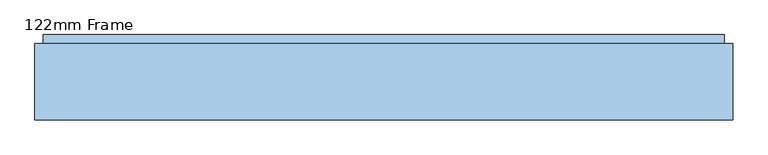
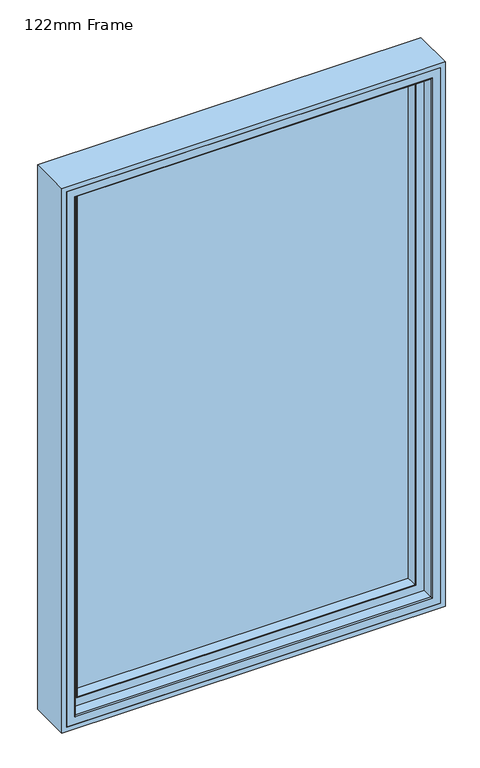
"""IFC4 building model written with IfcOpenShell, lengths in millimetres: window geometry, 122mm Frame."""

from ifc_helpers import new_model, si_unit, frame, origin, place, context, project, spatial, polyline, ellipse_curve, outline, extrude, source, transform, mapped, element, save
from ifc_brep_helpers import plane_surface, cylinder_surface, advanced_brep


def window_122mm_frame_6279ebd8(model_context):
    return source(origin(), model_context, "Body", "SolidModel", [
        extrude(outline(polyline([(2300.0, -500.0), (800.0, -500.0), (800.0, 500.0), (2300.0, 500.0), (2300.0, -500.0)]), holes=[polyline([(2288.0, 488.0), (812.0, 488.0), (812.0, -488.0), (2288.0, -488.0), (2288.0, 488.0)])]), frame((0.0, 32.0, 0.0), z_axis=(0.0, 1.0, 0.0), x_axis=(0.0, 0.0, 1.0)), (0.0, 0.0, 1.0), 109.0),
        extrude(outline(polyline([(-452.6, 141.0), (452.6, 141.0), (452.6, 93.0), (-452.6, 93.0), (-452.6, 141.0)])), frame((0.0, 0.0, 847.4), z_axis=(0.0, 0.0, 1.0), x_axis=(1.0, 0.0, 0.0)), (0.0, 0.0, 1.0), 1405.2),
        advanced_brep(
        [(-437.8697056, 91.0, 2237.8697056), (-440.9078547, 66.2562613, 2240.9078547), (-440.9078547, 66.2562613, 859.0921453), (-437.8697056, 91.0, 862.1302944), (-442.892947, 64.5, 2242.892947), (-442.892947, 64.5, 857.107053), (440.9078547, 66.2562613, 859.0921453), (437.8697056, 91.0, 862.1302944), (-461.5, 91.0, 2261.5), (461.5, 91.0, 2261.5), (461.5, 91.0, 838.5), (-461.5, 91.0, 838.5), (437.8697056, 91.0, 2237.8697056), (-461.5, 82.0, 2261.5), (-461.5, 82.0, 838.5), (461.5, 82.0, 838.5), (-464.0, 82.0, 2264.0), (464.0, 82.0, 2264.0), (464.0, 82.0, 836.0), (-464.0, 82.0, 836.0), (461.5, 82.0, 2261.5), (-464.0, 64.5, 2264.0), (-464.0, 64.5, 836.0), (464.0, 64.5, 836.0), (464.0, 64.5, 2264.0), (442.892947, 64.5, 2242.892947), (442.892947, 64.5, 857.107053), (440.9078547, 66.2562613, 2240.9078547)],
        [
            (0, 1),
            (1, 2),
            (2, 3),
            (3, 0),
            (1, 4, ellipse_curve(frame((-442.892947, 66.5, 2242.892947), z_axis=(-0.7071067811865475, 0.0, -0.7071067811865475), x_axis=(-0.7071067811865474, 0.0, 0.7071067811865476)), 2.8284271, 2.0)),
            (4, 5),
            (5, 2, ellipse_curve(frame((-442.892947, 66.5, 857.107053), z_axis=(-0.7071067811865475, 0.0, 0.7071067811865475), x_axis=(0.7071067811865474, 0.0, 0.7071067811865476)), 2.8284271, 2.0)),
            (2, 6),
            (6, 7),
            (7, 3),
            (8, 9),
            (9, 10),
            (10, 11),
            (11, 8),
            (7, 12),
            (12, 0),
            (13, 8),
            (11, 14),
            (14, 13),
            (10, 15),
            (15, 14),
            (16, 17),
            (17, 18),
            (18, 19),
            (19, 16),
            (15, 20),
            (20, 13),
            (21, 16),
            (19, 22),
            (22, 21),
            (18, 23),
            (23, 22),
            (23, 24),
            (24, 21),
            (4, 25),
            (25, 26),
            (26, 5),
            (26, 6, ellipse_curve(frame((442.892947, 66.5, 857.107053), z_axis=(-0.7071067811865475, 0.0, -0.7071067811865475), x_axis=(-0.7071067811865476, 0.0, 0.7071067811865474)), 2.8284271, 2.0)),
            (6, 27),
            (27, 12),
            (9, 20),
            (17, 24),
            (25, 27, ellipse_curve(frame((442.892947, 66.5, 2242.892947), z_axis=(0.7071067811865475, 0.0, -0.7071067811865475), x_axis=(-0.7071067811865474, 0.0, -0.7071067811865476)), 2.8284271, 2.0)),
            (27, 1),
        ],
        [
            plane_surface(frame((-440.9078547, 66.2562613, 2240.9078547), z_axis=(0.9925461516413219, -0.12186934340514886, 0.0), x_axis=(0.0, 0.0, -1.0))),
            cylinder_surface(frame((-442.892947, 66.5, 2237.6), z_axis=(0.0, 0.0, 1.0), x_axis=(0.0, 1.0, 0.0)), 2.0),
            plane_surface(frame((-440.9078547, 66.2562613, 859.0921453), z_axis=(0.0, -0.12186934340514886, 0.9925461516413219), x_axis=(1.0, 0.0, 0.0))),
            plane_surface(frame((437.8697056, 91.0, 2237.8697056), z_axis=(0.0, 1.0, 0.0), x_axis=(-1.0, 0.0, 0.0))),
            plane_surface(frame((-461.5, 91.0, 2261.5), z_axis=(-1.0, 0.0, 0.0), x_axis=(0.0, 0.0, -1.0))),
            plane_surface(frame((-461.5, 91.0, 838.5), z_axis=(0.0, 0.0, -1.0), x_axis=(1.0, 0.0, 0.0))),
            plane_surface(frame((461.5, 82.0, 2261.5), z_axis=(0.0, 1.0, 0.0), x_axis=(-1.0, 0.0, 0.0))),
            plane_surface(frame((-464.0, 82.0, 2264.0), z_axis=(-1.0, 0.0, 0.0), x_axis=(0.0, 0.0, -1.0))),
            plane_surface(frame((-464.0, 82.0, 836.0), z_axis=(0.0, 0.0, -1.0), x_axis=(1.0, 0.0, 0.0))),
            plane_surface(frame((464.0, 64.5, 2264.0), z_axis=(0.0, -1.0, 0.0), x_axis=(-1.0, 0.0, 0.0))),
            cylinder_surface(frame((-437.6, 66.5, 857.107053), z_axis=(-1.0, 0.0, 0.0), x_axis=(0.0, 1.0, 0.0)), 2.0),
            plane_surface(frame((440.9078547, 66.2562613, 859.0921453), z_axis=(-0.9925461516413219, -0.12186934340514886, 0.0), x_axis=(0.0, 0.0, 1.0))),
            plane_surface(frame((461.5, 91.0, 838.5), z_axis=(1.0, 0.0, 0.0), x_axis=(0.0, 0.0, 1.0))),
            plane_surface(frame((464.0, 82.0, 836.0), z_axis=(1.0, 0.0, 0.0), x_axis=(0.0, 0.0, 1.0))),
            cylinder_surface(frame((442.892947, 66.5, 862.4), z_axis=(0.0, 0.0, -1.0), x_axis=(0.0, 1.0, 0.0)), 2.0),
            plane_surface(frame((440.9078547, 66.2562613, 2240.9078547), z_axis=(0.0, -0.12186934340514886, -0.9925461516413219), x_axis=(-1.0, 0.0, 0.0))),
            plane_surface(frame((461.5, 91.0, 2261.5), z_axis=(0.0, 0.0, 1.0), x_axis=(-1.0, 0.0, 0.0))),
            plane_surface(frame((464.0, 82.0, 2264.0), z_axis=(0.0, 0.0, 1.0), x_axis=(-1.0, 0.0, 0.0))),
            cylinder_surface(frame((437.6, 66.5, 2242.892947), z_axis=(1.0, 0.0, 0.0), x_axis=(0.0, 1.0, 0.0)), 2.0),
        ],
        [
            (0, [[1, 2, 3, 4]]),
            (1, [[5, 6, 7, -2]]),
            (2, [[-3, 8, 9, 10]]),
            (3, [[11, 12, 13, 14], [-10, 15, 16, -4]]),
            (4, [[17, -14, 18, 19]]),
            (5, [[-18, -13, 20, 21]]),
            (6, [[22, 23, 24, 25], [-21, 26, 27, -19]]),
            (7, [[28, -25, 29, 30]]),
            (8, [[-29, -24, 31, 32]]),
            (9, [[-32, 33, 34, -30], [35, 36, 37, -6]]),
            (10, [[-7, -37, 38, -8]]),
            (11, [[-9, 39, 40, -15]]),
            (12, [[-20, -12, 41, -26]]),
            (13, [[-31, -23, 42, -33]]),
            (14, [[-38, -36, 43, -39]]),
            (15, [[-40, 44, -1, -16]]),
            (16, [[-41, -11, -17, -27]]),
            (17, [[-42, -22, -28, -34]]),
            (18, [[-43, -35, -5, -44]]),
        ],
    ),
        advanced_brep(
        [(-464.0, 83.0, 2264.0), (-464.0, 35.0, 2264.0), (-464.0, 35.0, 836.0), (-464.0, 83.0, 836.0), (-467.0, 32.0, 2267.0), (-467.0, 32.0, 833.0), (464.0, 35.0, 836.0), (464.0, 83.0, 836.0), (464.0, 83.0, 2264.0), (-462.0, 83.0, 2262.0), (462.0, 83.0, 2262.0), (462.0, 83.0, 838.0), (-462.0, 83.0, 838.0), (-462.0, 91.0, 2262.0), (-462.0, 91.0, 838.0), (462.0, 91.0, 838.0), (462.0, 91.0, 2262.0), (-455.7805994, 91.0, 2255.7805994), (455.7805994, 91.0, 2255.7805994), (455.7805994, 91.0, 844.2194006), (-455.7805994, 91.0, 844.2194006), (-438.0131086, 143.3877115, 2238.0131086), (-438.0131086, 142.0, 2238.0131086), (-438.0131086, 142.0, 861.9868914), (-438.0131086, 143.3877115, 861.9868914), (-462.2226568, 142.0, 837.7773432), (462.2226568, 142.0, 837.7773432), (462.2226568, 142.0, 2262.2226568), (-462.2226568, 142.0, 2262.2226568), (438.0131086, 142.0, 2238.0131086), (438.0131086, 142.0, 861.9868914), (438.0131086, 143.3877115, 861.9868914), (-441.2576108, 154.0, 2241.2576108), (-441.2576108, 154.0, 858.7423892), (441.2576108, 154.0, 858.7423892), (-488.0, 154.0, 2288.0), (488.0, 154.0, 2288.0), (488.0, 154.0, 812.0), (-488.0, 154.0, 812.0), (441.2576108, 154.0, 2241.2576108), (-488.0, 90.5, 2288.0), (-488.0, 90.5, 812.0), (488.0, 90.5, 812.0), (488.0, 90.5, 2288.0), (-481.0, 90.5, 2281.0), (481.0, 90.5, 2281.0), (481.0, 90.5, 819.0), (-481.0, 90.5, 819.0), (467.0, 32.0, 833.0), (464.0, 35.0, 2264.0), (438.0131086, 143.3877115, 2238.0131086), (467.0, 32.0, 2267.0), (-488.0, 32.0, 812.0), (488.0, 32.0, 812.0), (488.0, 32.0, 2288.0), (-488.0, 32.0, 2288.0), (-488.0, 86.5, 812.0), (488.0, 86.5, 812.0), (488.0, 86.5, 2288.0), (-488.0, 86.5, 2288.0), (-481.0, 86.5, 2281.0), (-481.0, 86.5, 819.0), (481.0, 86.5, 819.0), (481.0, 86.5, 2281.0)],
        [
            (0, 1),
            (1, 2),
            (2, 3),
            (3, 0),
            (1, 4, ellipse_curve(frame((-467.0, 35.0, 2267.0), z_axis=(-0.7071067811865475, 0.0, -0.7071067811865475), x_axis=(-0.7071067811865474, 0.0, 0.7071067811865476)), 4.2426407, 3.0)),
            (4, 5),
            (5, 2, ellipse_curve(frame((-467.0, 35.0, 833.0), z_axis=(-0.7071067811865475, 0.0, 0.7071067811865475), x_axis=(0.7071067811865474, 0.0, 0.7071067811865476)), 4.2426407, 3.0)),
            (2, 6),
            (6, 7),
            (7, 3),
            (7, 8),
            (8, 0),
            (9, 10),
            (10, 11),
            (11, 12),
            (12, 9),
            (13, 9),
            (12, 14),
            (14, 13),
            (11, 15),
            (15, 14),
            (15, 16),
            (16, 13),
            (17, 18),
            (18, 19),
            (19, 20),
            (20, 17),
            (21, 22),
            (22, 23),
            (23, 24),
            (24, 21),
            (25, 26),
            (26, 27),
            (27, 28),
            (28, 25),
            (22, 29),
            (29, 30),
            (30, 23),
            (30, 31),
            (31, 24),
            (32, 21),
            (24, 33),
            (33, 32),
            (31, 34),
            (34, 33),
            (35, 36),
            (36, 37),
            (37, 38),
            (38, 35),
            (34, 39),
            (39, 32),
            (40, 35),
            (38, 41),
            (41, 40),
            (37, 42),
            (42, 41),
            (42, 43),
            (43, 40),
            (44, 45),
            (45, 46),
            (46, 47),
            (47, 44),
            (5, 48),
            (48, 6, ellipse_curve(frame((467.0, 35.0, 833.0), z_axis=(-0.7071067811865475, 0.0, -0.7071067811865475), x_axis=(-0.7071067811865476, 0.0, 0.7071067811865474)), 4.2426407, 3.0)),
            (6, 49),
            (49, 8),
            (10, 16),
            (29, 50),
            (50, 31),
            (50, 39),
            (36, 43),
            (48, 51),
            (51, 49, ellipse_curve(frame((467.0, 35.0, 2267.0), z_axis=(0.7071067811865475, 0.0, -0.7071067811865475), x_axis=(-0.7071067811865474, 0.0, -0.7071067811865476)), 4.2426407, 3.0)),
            (25, 20),
            (19, 26),
            (18, 27),
            (28, 17),
            (52, 53),
            (53, 54),
            (54, 55),
            (55, 52),
            (4, 51),
            (52, 56),
            (56, 57),
            (57, 53),
            (57, 58),
            (58, 54),
            (55, 59),
            (59, 56),
            (60, 44),
            (47, 61),
            (61, 60),
            (46, 62),
            (62, 61),
            (59, 58),
            (62, 63),
            (63, 60),
            (45, 63),
            (49, 1),
            (21, 50),
        ],
        [
            plane_surface(frame((-464.0, 35.0, 2264.0), z_axis=(1.0, 0.0, 0.0), x_axis=(0.0, 0.0, -1.0))),
            cylinder_surface(frame((-467.0, 35.0, 2288.0), z_axis=(0.0, 0.0, 1.0), x_axis=(0.0, 1.0, 0.0)), 3.0),
            plane_surface(frame((-464.0, 35.0, 836.0), z_axis=(0.0, 0.0, 1.0), x_axis=(1.0, 0.0, 0.0))),
            plane_surface(frame((464.0, 83.0, 2264.0), z_axis=(0.0, -1.0, 0.0), x_axis=(-1.0, 0.0, 0.0))),
            plane_surface(frame((-462.0, 83.0, 2262.0), z_axis=(1.0, 0.0, 0.0), x_axis=(0.0, 0.0, -1.0))),
            plane_surface(frame((-462.0, 83.0, 838.0), z_axis=(0.0, 0.0, 1.0), x_axis=(1.0, 0.0, 0.0))),
            plane_surface(frame((462.0, 91.0, 2262.0), z_axis=(0.0, -1.0, 0.0), x_axis=(-1.0, 0.0, 0.0))),
            plane_surface(frame((-438.0131086, 142.0, 2238.0131086), z_axis=(1.0, 0.0, 0.0), x_axis=(0.0, 0.0, -1.0))),
            plane_surface(frame((462.2226568, 142.0, 2262.2226568), z_axis=(0.0, -1.0, 0.0), x_axis=(-1.0, 0.0, 0.0))),
            plane_surface(frame((-438.0131086, 142.0, 861.9868914), z_axis=(0.0, 0.0, 1.0), x_axis=(1.0, 0.0, 0.0))),
            plane_surface(frame((-438.0131086, 143.3877115, 2238.0131086), z_axis=(0.9563047559629344, 0.29237170472306745, 0.0), x_axis=(0.0, 0.0, -1.0))),
            plane_surface(frame((-438.0131086, 143.3877115, 861.9868914), z_axis=(0.0, 0.29237170472306745, 0.9563047559629344), x_axis=(1.0, 0.0, 0.0))),
            plane_surface(frame((441.2576108, 154.0, 2241.2576108), z_axis=(0.0, 1.0, 0.0), x_axis=(-1.0, 0.0, 0.0))),
            plane_surface(frame((-488.0, 154.0, 2288.0), z_axis=(-1.0, 0.0, 0.0), x_axis=(0.0, 0.0, -1.0))),
            plane_surface(frame((-488.0, 154.0, 812.0), z_axis=(0.0, 0.0, -1.0), x_axis=(1.0, 0.0, 0.0))),
            plane_surface(frame((488.0, 90.5, 2288.0), z_axis=(0.0, -1.0, 0.0), x_axis=(-1.0, 0.0, 0.0))),
            cylinder_surface(frame((-488.0, 35.0, 833.0), z_axis=(-1.0, 0.0, 0.0), x_axis=(0.0, 1.0, 0.0)), 3.0),
            plane_surface(frame((464.0, 35.0, 836.0), z_axis=(-1.0, 0.0, 0.0), x_axis=(0.0, 0.0, 1.0))),
            plane_surface(frame((462.0, 83.0, 838.0), z_axis=(-1.0, 0.0, 0.0), x_axis=(0.0, 0.0, 1.0))),
            plane_surface(frame((438.0131086, 142.0, 861.9868914), z_axis=(-1.0, 0.0, 0.0), x_axis=(0.0, 0.0, 1.0))),
            plane_surface(frame((438.0131086, 143.3877115, 861.9868914), z_axis=(-0.9563047559629344, 0.29237170472306745, 0.0), x_axis=(0.0, 0.0, 1.0))),
            plane_surface(frame((488.0, 154.0, 812.0), z_axis=(1.0, 0.0, 0.0), x_axis=(0.0, 0.0, 1.0))),
            cylinder_surface(frame((467.0, 35.0, 812.0), z_axis=(0.0, 0.0, -1.0), x_axis=(0.0, 1.0, 0.0)), 3.0),
            plane_surface(frame((-455.7805994, 91.0, 844.2194006), z_axis=(0.0, 0.1253190461918588, 0.9921164934933613), x_axis=(1.0, 0.0, 0.0))),
            plane_surface(frame((455.7805994, 91.0, 844.2194006), z_axis=(-0.9921164934933613, 0.1253190461918588, 0.0), x_axis=(0.0, 0.0, 1.0))),
            plane_surface(frame((-455.7805994, 91.0, 2255.7805994), z_axis=(0.9921164934933613, 0.1253190461918588, 0.0), x_axis=(0.0, 0.0, -1.0))),
            plane_surface(frame((488.0, 32.0, 2288.0), z_axis=(0.0, -1.0, 0.0), x_axis=(-1.0, 0.0, 0.0))),
            plane_surface(frame((-488.0, 86.5, 812.0), z_axis=(0.0, 0.0, -1.0), x_axis=(1.0, 0.0, 0.0))),
            plane_surface(frame((488.0, 86.5, 812.0), z_axis=(1.0, 0.0, 0.0), x_axis=(0.0, 0.0, 1.0))),
            plane_surface(frame((-488.0, 86.5, 2288.0), z_axis=(-1.0, 0.0, 0.0), x_axis=(0.0, 0.0, -1.0))),
            plane_surface(frame((-481.0, 90.5, 2281.0), z_axis=(-1.0, 0.0, 0.0), x_axis=(0.0, 0.0, -1.0))),
            plane_surface(frame((-481.0, 90.5, 819.0), z_axis=(0.0, 0.0, -1.0), x_axis=(1.0, 0.0, 0.0))),
            plane_surface(frame((481.0, 86.5, 2281.0), z_axis=(0.0, 1.0, 0.0), x_axis=(-1.0, 0.0, 0.0))),
            plane_surface(frame((481.0, 90.5, 819.0), z_axis=(1.0, 0.0, 0.0), x_axis=(0.0, 0.0, 1.0))),
            plane_surface(frame((464.0, 35.0, 2264.0), z_axis=(0.0, 0.0, -1.0), x_axis=(-1.0, 0.0, 0.0))),
            plane_surface(frame((462.0, 83.0, 2262.0), z_axis=(0.0, 0.0, -1.0), x_axis=(-1.0, 0.0, 0.0))),
            plane_surface(frame((438.0131086, 142.0, 2238.0131086), z_axis=(0.0, 0.0, -1.0), x_axis=(-1.0, 0.0, 0.0))),
            plane_surface(frame((438.0131086, 143.3877115, 2238.0131086), z_axis=(0.0, 0.29237170472306745, -0.9563047559629344), x_axis=(-1.0, 0.0, 0.0))),
            plane_surface(frame((488.0, 154.0, 2288.0), z_axis=(0.0, 0.0, 1.0), x_axis=(-1.0, 0.0, 0.0))),
            cylinder_surface(frame((488.0, 35.0, 2267.0), z_axis=(1.0, 0.0, 0.0), x_axis=(0.0, 1.0, 0.0)), 3.0),
            plane_surface(frame((481.0, 90.5, 2281.0), z_axis=(0.0, 0.0, 1.0), x_axis=(-1.0, 0.0, 0.0))),
            plane_surface(frame((488.0, 86.5, 2288.0), z_axis=(0.0, 0.0, 1.0), x_axis=(-1.0, 0.0, 0.0))),
            plane_surface(frame((455.7805994, 91.0, 2255.7805994), z_axis=(0.0, 0.1253190461918588, -0.9921164934933613), x_axis=(-1.0, 0.0, 0.0))),
        ],
        [
            (0, [[1, 2, 3, 4]]),
            (1, [[5, 6, 7, -2]]),
            (2, [[-3, 8, 9, 10]]),
            (3, [[-10, 11, 12, -4], [13, 14, 15, 16]]),
            (4, [[17, -16, 18, 19]]),
            (5, [[-18, -15, 20, 21]]),
            (6, [[-21, 22, 23, -19], [24, 25, 26, 27]]),
            (7, [[28, 29, 30, 31]]),
            (8, [[32, 33, 34, 35], [36, 37, 38, -29]]),
            (9, [[-30, -38, 39, 40]]),
            (10, [[41, -31, 42, 43]]),
            (11, [[-42, -40, 44, 45]]),
            (12, [[46, 47, 48, 49], [-45, 50, 51, -43]]),
            (13, [[52, -49, 53, 54]]),
            (14, [[-53, -48, 55, 56]]),
            (15, [[-56, 57, 58, -54], [59, 60, 61, 62]]),
            (16, [[-7, 63, 64, -8]]),
            (17, [[-9, 65, 66, -11]]),
            (18, [[-20, -14, 67, -22]]),
            (19, [[-39, -37, 68, 69]]),
            (20, [[-44, -69, 70, -50]]),
            (21, [[-55, -47, 71, -57]]),
            (22, [[-64, 72, 73, -65]]),
            (23, [[74, -26, 75, -32]]),
            (24, [[-75, -25, 76, -33]]),
            (25, [[77, -27, -74, -35]]),
            (26, [[78, 79, 80, 81], [82, -72, -63, -6]]),
            (27, [[83, 84, 85, -78]]),
            (28, [[-85, 86, 87, -79]]),
            (29, [[88, 89, -83, -81]]),
            (30, [[90, -62, 91, 92]]),
            (31, [[-91, -61, 93, 94]]),
            (32, [[95, -86, -84, -89], [-94, 96, 97, -92]]),
            (33, [[-93, -60, 98, -96]]),
            (34, [[-66, 99, -1, -12]]),
            (35, [[-67, -13, -17, -23]]),
            (36, [[-68, -36, -28, 100]]),
            (37, [[-70, -100, -41, -51]]),
            (38, [[-71, -46, -52, -58]]),
            (39, [[-73, -82, -5, -99]]),
            (40, [[-98, -59, -90, -97]]),
            (41, [[-87, -95, -88, -80]]),
            (42, [[-76, -24, -77, -34]]),
        ],
    ),
    ])


if __name__ == "__main__":
    model = new_model("IFC4")
    model_context = context("Model", 3, world=origin())
    ifc_project = project(units=[si_unit("LENGTHUNIT", "METRE", prefix="MILLI")], contexts=[model_context])
    site = spatial("IfcSite", under=ifc_project)
    building = spatial("IfcBuilding", under=site)
    placement = place(None, origin())
    window_122mm_frame_shape = window_122mm_frame_6279ebd8(model_context)
    element("IfcWindow", 1, ObjectType="122mm Frame", at=placement, inside=building, context=model_context, shape_type="MappedRepresentation", body=[
        mapped(window_122mm_frame_shape, transform((0.0, 0.0, 0.0), x_axis=(1.0, 0.0, 0.0), y_axis=(0.0, 1.0, 0.0), z_axis=(0.0, 0.0, 1.0))),
    ])
    save(model, "model.ifc")
